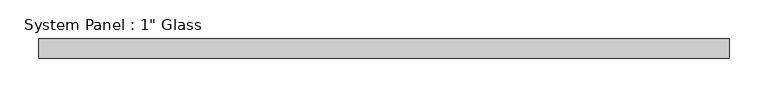
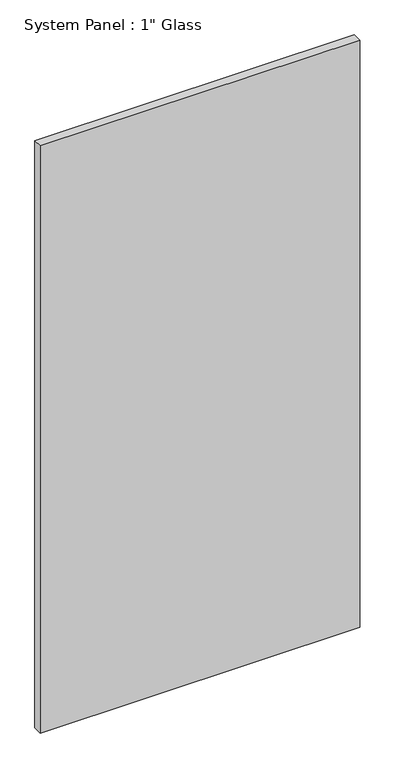
"""IFC4 building model written with IfcOpenShell, lengths in millimetres: plate geometry."""

import ifcopenshell
import ifcopenshell.guid

model = None  # the IFC model being written
_history = None  # IfcOwnerHistory: only IFC2X3 demands one
_inside = {}  # id of a spatial element -> (the spatial element, [elements in it])
_under = {}  # id of a project, library or spatial element -> (it, [spatial elements below it])
_declared = {}  # id of a project -> (the project, [libraries it declares])
_typed = {}  # id of a type object -> (the type object, [elements of that type])
_made_of = {}  # id of a material, layer set ... -> (it, [elements and type objects made of it])


def new_model(schema):
    """Start an empty IFC model of exactly this schema.

    Asked for "IFC4X3", IfcOpenShell would pick the latest addendum, in which some entities
    have other attributes; the version numbers below select the first issue.
    IFC2X3 requires an IfcOwnerHistory on every rooted entity: one is made here for all.
    """
    global model, _history
    if schema == "IFC4X3":
        model = ifcopenshell.file(schema_version=(4, 3, 0, 0))
    else:
        model = ifcopenshell.file(schema=schema)
    _inside.clear()
    _under.clear()
    _declared.clear()
    _typed.clear()
    _made_of.clear()
    _history = None
    if model.schema == "IFC2X3":
        org = make("IfcOrganization", Name="unknown")
        user = make(
            "IfcPersonAndOrganization",
            ThePerson=make("IfcPerson", FamilyName="unknown"),
            TheOrganization=org,
        )
        app = make(
            "IfcApplication",
            ApplicationDeveloper=org,
            Version="unknown",
            ApplicationFullName="unknown",
            ApplicationIdentifier="unknown",
        )
        _history = make(
            "IfcOwnerHistory",
            OwningUser=user,
            OwningApplication=app,
            ChangeAction="ADDED",
            CreationDate=0,
        )
    return model


def make(cls, **values):
    """One entity of the class cls with the attributes given. An attribute that is None is left unset."""
    return model.create_entity(
        cls, **{name: value for name, value in values.items() if value is not None}
    )


def rooted(cls, **values):
    """An entity with a GlobalId (a new one), such as an element, a storey or a relation."""
    return make(cls, GlobalId=ifcopenshell.guid.new(), OwnerHistory=_history, **values)


def si_unit(unit_type, name, prefix=None):
    """IfcSIUnit, for example si_unit("LENGTHUNIT", "METRE", prefix="MILLI")."""
    return make("IfcSIUnit", UnitType=unit_type, Prefix=prefix, Name=name)


def assignment(units):
    """IfcUnitAssignment: the units of a project."""
    return None if units is None else make("IfcUnitAssignment", Units=units)


def point(xyz):
    """IfcCartesianPoint."""
    return None if xyz is None else make("IfcCartesianPoint", Coordinates=xyz)


def direction(xyz):
    """IfcDirection."""
    return None if xyz is None else make("IfcDirection", DirectionRatios=xyz)


def frame(location, z_axis=None, x_axis=None):
    """IfcAxis2Placement3D, a coordinate frame: its origin and axes. An axis left out is left unset."""
    return make(
        "IfcAxis2Placement3D",
        Location=point(location),
        Axis=direction(z_axis),
        RefDirection=direction(x_axis),
    )


def origin():
    """The frame at (0, 0, 0) with its axes left unset."""
    return frame((0.0, 0.0, 0.0))


def origin_with_axes():
    """The frame at (0, 0, 0) with the z axis (0, 0, 1) and the x axis (1, 0, 0) written out."""
    return frame((0.0, 0.0, 0.0), z_axis=(0.0, 0.0, 1.0), x_axis=(1.0, 0.0, 0.0))


def place(relative_to, where):
    """IfcLocalPlacement: puts the frame where relative to a parent placement (None: the world)."""
    return make(
        "IfcLocalPlacement", PlacementRelTo=relative_to, RelativePlacement=where
    )


def context(
    kind, dimensions, precision=None, world=None, true_north=None, identifier=None
):
    """IfcGeometricRepresentationContext, for example the 3D "Model" context."""
    return make(
        "IfcGeometricRepresentationContext",
        ContextIdentifier=identifier,
        ContextType=kind,
        CoordinateSpaceDimension=dimensions,
        Precision=precision,
        WorldCoordinateSystem=world,
        TrueNorth=true_north,
    )


def project(units=None, contexts=None):
    """IfcProject with its units and contexts."""
    return rooted(
        "IfcProject",
        Name="project",
        RepresentationContexts=contexts,
        UnitsInContext=assignment(units),
    )


def spatial(cls, under=None, at=None, **own):
    """A site, building, storey or space (cls), placed at a placement, below another one or the project."""
    s = rooted(cls, ObjectPlacement=at, **own)
    if under is not None:
        _under.setdefault(under.id(), (under, []))[1].append(s)
    return s


def polyline(points):
    """IfcPolyline through the points."""
    return make("IfcPolyline", Points=[point(p) for p in points])


def outline(outer, holes=None, kind="AREA"):
    """IfcArbitraryClosedProfileDef: a profile drawn as a closed curve; with holes, ...WithVoids."""
    if holes is None:
        return make("IfcArbitraryClosedProfileDef", ProfileType=kind, OuterCurve=outer)
    return make(
        "IfcArbitraryProfileDefWithVoids",
        ProfileType=kind,
        OuterCurve=outer,
        InnerCurves=holes,
    )


def extrude(swept, where, along, depth):
    """IfcExtrudedAreaSolid: the profile swept, set in the frame where, extruded along a direction by depth."""
    return make(
        "IfcExtrudedAreaSolid",
        SweptArea=swept,
        Position=where,
        ExtrudedDirection=direction(along),
        Depth=depth,
    )


def shape(context_of_items, identifier, shape_type, items):
    """IfcShapeRepresentation: the items that make up one representation, for example the "Body"."""
    return make(
        "IfcShapeRepresentation",
        ContextOfItems=context_of_items,
        RepresentationIdentifier=identifier,
        RepresentationType=shape_type,
        Items=items,
    )


def source(mapping_origin, context_of_items, identifier, shape_type, items):
    """IfcRepresentationMap: a shape defined once, which mapped items show again and again."""
    return make(
        "IfcRepresentationMap",
        MappingOrigin=mapping_origin,
        MappedRepresentation=shape(context_of_items, identifier, shape_type, items),
    )


def transform(
    local_origin,
    x_axis=None,
    y_axis=None,
    z_axis=None,
    scale=None,
    scale2=None,
    scale3=None,
    uniform=True,
):
    """IfcCartesianTransformationOperator3D, or its non-uniform kind. x_axis, y_axis, z_axis: its Axis1, 2, 3."""
    if uniform:
        return make(
            "IfcCartesianTransformationOperator3D",
            Axis1=direction(x_axis),
            Axis2=direction(y_axis),
            LocalOrigin=point(local_origin),
            Scale=scale,
            Axis3=direction(z_axis),
        )
    return make(
        "IfcCartesianTransformationOperator3DnonUniform",
        Axis1=direction(x_axis),
        Axis2=direction(y_axis),
        LocalOrigin=point(local_origin),
        Scale=scale,
        Axis3=direction(z_axis),
        Scale2=scale2,
        Scale3=scale3,
    )


def mapped(mapping_source, mapping_target):
    """IfcMappedItem: shows the shape of a source again, moved by a transform."""
    return make(
        "IfcMappedItem", MappingSource=mapping_source, MappingTarget=mapping_target
    )


def made_of(thing, what):
    """Note that an element or type object is made of a material, layer set ...; save() writes the relation."""
    if what is not None:
        _made_of.setdefault(what.id(), (what, []))[1].append(thing)
    return thing


def element(
    cls,
    number,
    at=None,
    inside=None,
    cuts=None,
    type_object=None,
    material=None,
    context=None,
    identifier="Body",
    shape_type=None,
    held_by="IfcProductDefinitionShape",
    body=None,
    shapes=None,
    **own,
):
    """One element of the class cls, such as IfcWall. Its Tag is "e" and its number.

    at: its placement. inside: the storey or other place that contains it. cuts: it is an
    opening in that element (IfcRelVoidsElement). A single representation is given by context,
    identifier, shape_type and body (its items); several are given by shapes. held_by: the class
    of the entity that holds the representations. save() writes the other relations.
    """
    e = rooted(cls, Tag="e%d" % number, ObjectPlacement=at, **own)
    if body is not None:
        shapes = [shape(context, identifier, shape_type, body)]
    if shapes is not None:
        e.Representation = make(held_by, Representations=shapes)
    if inside is not None:
        _inside.setdefault(inside.id(), (inside, []))[1].append(e)
    if cuts is not None:
        rooted(
            "IfcRelVoidsElement", RelatingBuildingElement=cuts, RelatedOpeningElement=e
        )
    if type_object is not None:
        _typed.setdefault(type_object.id(), (type_object, []))[1].append(e)
    return made_of(e, material)


def aggregate(whole, parts):
    """IfcRelAggregates: a whole, such as a stair, and the parts it consists of."""
    return rooted("IfcRelAggregates", RelatingObject=whole, RelatedObjects=parts)


def save(model, path):
    """Write the relations noted so far, then the file.

    IfcRelAggregates (storeys below a building ...), IfcRelContainedInSpatialStructure (elements
    in a storey), IfcRelDefinesByType, IfcRelAssociatesMaterial and IfcRelDeclares: one each for
    every whole, place, type object, material and project.
    """
    for whole, parts in _under.values():
        aggregate(whole, parts)
    for where, things in _inside.values():
        rooted(
            "IfcRelContainedInSpatialStructure",
            RelatedElements=things,
            RelatingStructure=where,
        )
    for kind, things in _typed.values():
        rooted("IfcRelDefinesByType", RelatedObjects=things, RelatingType=kind)
    for what, things in _made_of.values():
        rooted("IfcRelAssociatesMaterial", RelatedObjects=things, RelatingMaterial=what)
    for by, libraries in _declared.values():
        rooted("IfcRelDeclares", RelatingContext=by, RelatedDefinitions=libraries)
    model.write(path)


def plate_4721bc0a(model_context):
    return source(origin(), model_context, "Body", "SweptSolid", [
        extrude(outline(polyline([(447.7217316, -12.7), (-447.7217316, -12.7), (-447.7217316, 12.7), (447.7217316, 12.7), (447.7217316, -12.7)])), origin_with_axes(), (0.0, 0.0, 1.0), 1739.9),
    ])


if __name__ == "__main__":
    model = new_model("IFC4")
    model_context = context("Model", 3, world=origin())
    ifc_project = project(units=[si_unit("LENGTHUNIT", "METRE", prefix="MILLI")], contexts=[model_context])
    site = spatial("IfcSite", under=ifc_project)
    building = spatial("IfcBuilding", under=site)
    placement = place(None, origin())
    plate_shape = plate_4721bc0a(model_context)
    element("IfcPlate", 1, ObjectType="System Panel : 1\" Glass", at=placement, inside=building, context=model_context, shape_type="MappedRepresentation", body=[
        mapped(plate_shape, transform((0.0, 0.0, 0.0), x_axis=(1.0, 0.0, 0.0), y_axis=(0.0, 1.0, 0.0), z_axis=(0.0, 0.0, 1.0))),
    ])
    save(model, "model.ifc")
